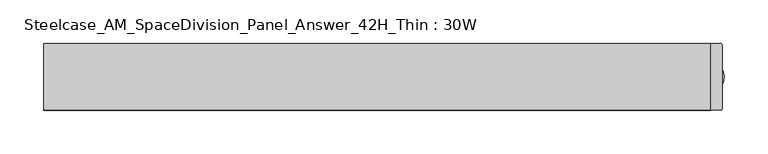
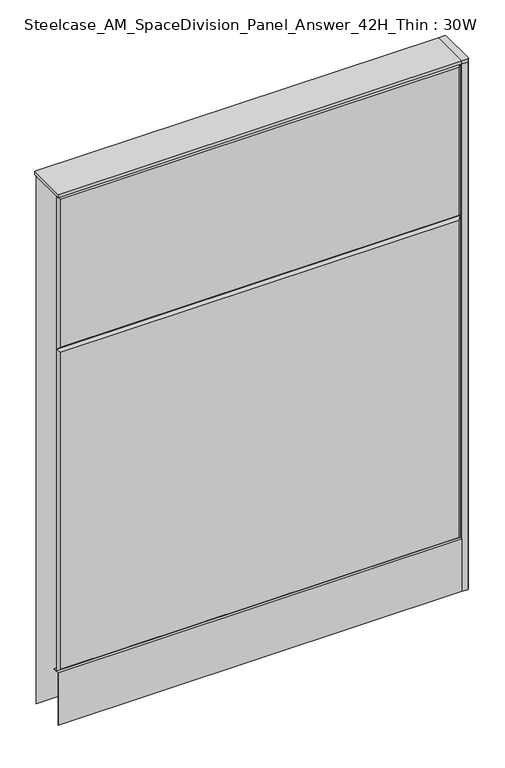
"""IFC4 building model written with IfcOpenShell, lengths in millimetres: furniture geometry, Steelcase_AM_SpaceDivision_Panel_Answer_42H_Thin : 30W."""

from ifc_helpers import new_model, si_unit, point, frame, frame_2d, origin, place, context, project, spatial, polyline, circle_curve, trimmed, segment, composite_curve, outline, extrude, faceted_brep, source, transform, mapped, element, save


def steelcase_am_spacedivision_panel_answer_42h_thin_30w_fba3f982(model_context):
    return source(origin(), model_context, "Body", "SolidModel", [
        extrude(outline(polyline([(-37.3075215, 119.8575157), (-37.3075215, 15.494), (-38.1000194, 15.494), (-38.1000194, 120.65), (-25.4000011, 120.65), (-25.4000011, 119.8575157), (-37.3075215, 119.8575157)])), frame((-381.0, 0.0, 0.0), z_axis=(1.0, 0.0, 0.0), x_axis=(0.0, 1.0, 0.0)), (0.0, 0.0, 1.0), 762.0),
        extrude(outline(composite_curve([segment(trimmed(circle_curve(frame_2d((381.0, -1.94e-05)), 5.08), [point((386.08, -1.94e-05))], [point((375.92, -1.94e-05))], False, "CARTESIAN"), True, "CONTINUOUS"), segment(trimmed(circle_curve(frame_2d((381.0, -1.94e-05)), 5.08), [point((375.92, -1.94e-05))], [point((386.08, -1.94e-05))], False, "CARTESIAN"), True, "CONTINUOUS")], self_intersect=False)), frame((0.0, 0.0, 5.0799671), z_axis=(0.0, 0.0, 1.0), x_axis=(1.0, 0.0, 0.0)), (0.0, 0.0, 1.0), 10.414),
        extrude(outline(composite_curve([segment(trimmed(circle_curve(frame_2d((381.0, -1.94e-05)), 15.24), [point((396.24, -1.94e-05))], [point((365.76, -1.94e-05))], False, "CARTESIAN"), True, "CONTINUOUS"), segment(trimmed(circle_curve(frame_2d((381.0, -1.94e-05)), 15.24), [point((365.76, -1.94e-05))], [point((396.24, -1.94e-05))], False, "CARTESIAN"), True, "CONTINUOUS")], self_intersect=False)), frame((0.0, 0.0, -3.29e-05), z_axis=(0.0, 0.0, 1.0), x_axis=(1.0, 0.0, 0.0)), (0.0, 0.0, 1.0), 5.08),
        extrude(outline(composite_curve([segment(polyline([(393.7, 36.322), (393.7, -36.322)]), True, "CONTINUOUS"), segment(trimmed(circle_curve(frame_2d((391.922, -36.322)), 1.778), [point((393.7, -36.322))], [point((391.922, -38.1))], False, "CARTESIAN"), True, "CONTINUOUS"), segment(polyline([(391.922, -38.1), (381.0, -38.1), (381.0, 38.1), (391.922, 38.1)]), True, "CONTINUOUS"), segment(trimmed(circle_curve(frame_2d((391.922, 36.322)), 1.778), [point((391.922, 38.1))], [point((393.7, 36.322))], False, "CARTESIAN"), True, "CONTINUOUS")], self_intersect=False)), frame((0.0, 0.0, 1066.7999671), z_axis=(0.0, 0.0, 1.0), x_axis=(1.0, 0.0, 0.0)), (0.0, 0.0, 1.0), 6.35),
        extrude(outline(composite_curve([segment(polyline([(393.7, 36.322), (393.7, -36.322)]), True, "CONTINUOUS"), segment(trimmed(circle_curve(frame_2d((391.922, -36.322)), 1.778), [point((393.7, -36.322))], [point((391.922, -38.1))], False, "CARTESIAN"), True, "CONTINUOUS"), segment(polyline([(391.922, -38.1), (381.0, -38.1), (381.0, 38.1), (391.922, 38.1)]), True, "CONTINUOUS"), segment(trimmed(circle_curve(frame_2d((391.922, 36.322)), 1.778), [point((391.922, 38.1))], [point((393.7, 36.322))], False, "CARTESIAN"), True, "CONTINUOUS")], self_intersect=False)), frame((0.0, 0.0, 15.4939671), z_axis=(0.0, 0.0, 1.0), x_axis=(1.0, 0.0, 0.0)), (0.0, 0.0, 1.0), 1051.306),
        faceted_brep([(-381.0, 33.2700541, 1066.8), (-381.0, 33.2700541, 15.494), (381.0, 33.2700541, 15.494), (381.0, 33.2700541, 1066.8), (376.174, 38.0960541, 1061.974), (-376.174, 38.0960541, 1061.974), (376.174, 38.0960541, 20.32), (-376.174, 38.0960541, 20.32)], [[[0, 1, 2, 3]], [[0, 3, 4, 5]], [[5, 4, 6, 7]], [[3, 2, 6, 4]], [[2, 1, 7, 6]], [[1, 0, 5, 7]]]),
        faceted_brep([(376.174, -38.0960541, 1061.974), (-376.174, -38.0960541, 1061.974), (-376.174, -38.0960541, 766.826), (376.174, -38.0960541, 766.826), (381.0, -33.2700541, 1066.8), (381.0, -33.2700541, 762.0), (-381.0, -33.2700541, 762.0), (-381.0, -33.2700541, 1066.8)], [[[0, 1, 2, 3]], [[4, 5, 6, 7]], [[4, 7, 1, 0]], [[7, 6, 2, 1]], [[6, 5, 3, 2]], [[5, 4, 0, 3]]]),
        faceted_brep([(376.174, -38.0960541, 757.174), (-376.174, -38.0960541, 757.174), (-376.174, -38.0960541, 125.476), (376.174, -38.0960541, 125.476), (381.0, -33.2700541, 762.0), (381.0, -33.2700541, 120.65), (-381.0, -33.2700541, 120.65), (-381.0, -33.2700541, 762.0)], [[[0, 1, 2, 3]], [[4, 5, 6, 7]], [[4, 7, 1, 0]], [[7, 6, 2, 1]], [[6, 5, 3, 2]], [[5, 4, 0, 3]]]),
        extrude(outline(polyline([(381.0, 38.1000194), (381.0, -38.1000194), (-381.0, -38.1000194), (-381.0, 38.1000194), (381.0, 38.1000194)])), frame((0.0, 0.0, 1066.8), z_axis=(0.0, 0.0, 1.0), x_axis=(1.0, 0.0, 0.0)), (0.0, 0.0, 1.0), 6.35),
    ])


if __name__ == "__main__":
    model = new_model("IFC4")
    model_context = context("Model", 3, world=origin())
    ifc_project = project(units=[si_unit("LENGTHUNIT", "METRE", prefix="MILLI")], contexts=[model_context])
    site = spatial("IfcSite", under=ifc_project)
    building = spatial("IfcBuilding", under=site)
    placement = place(None, origin())
    steelcase_am_spacedivision_panel_answer_42h_thin_30w_shape = steelcase_am_spacedivision_panel_answer_42h_thin_30w_fba3f982(model_context)
    element("IfcFurniture", 1, ObjectType="Steelcase_AM_SpaceDivision_Panel_Answer_42H_Thin : 30W", at=placement, inside=building, context=model_context, shape_type="MappedRepresentation", body=[
        mapped(steelcase_am_spacedivision_panel_answer_42h_thin_30w_shape, transform((0.0, 0.0, 0.0), x_axis=(1.0, 0.0, 0.0), y_axis=(0.0, 1.0, 0.0), z_axis=(0.0, 0.0, 1.0))),
    ])
    save(model, "model.ifc")
